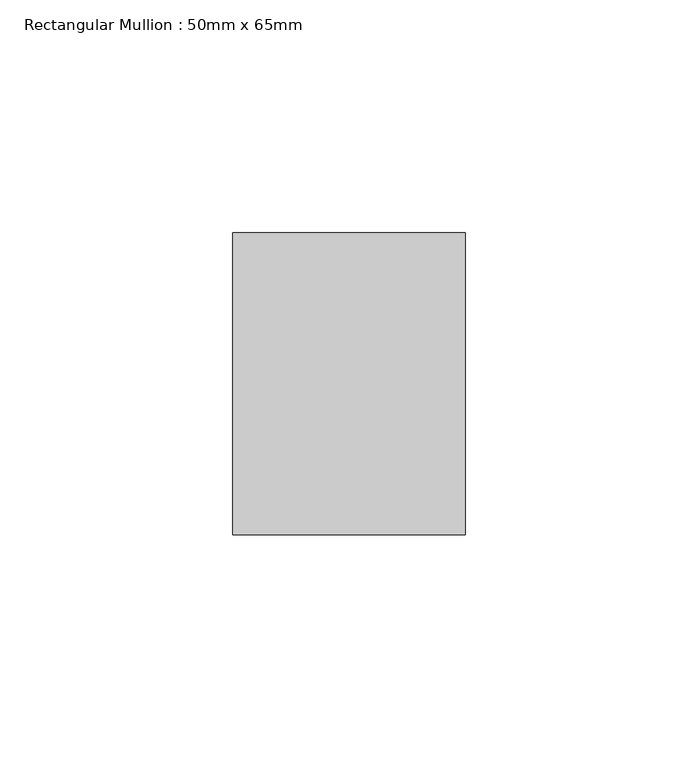
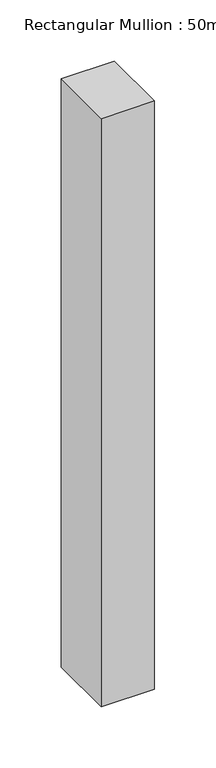
"""IFC4 building model written with IfcOpenShell, lengths in millimetres: member geometry, Rectangular Mullion : 50mm x 65mm."""

from ifc_helpers import new_model, si_unit, frame, origin, place, context, project, spatial, polyline, outline, extrude, source, transform, mapped, element, save


def rectangular_mullion_50mm_x_65mm_6eb802c2(model_context):
    return source(origin(), model_context, "Body", "SweptSolid", [
        extrude(outline(polyline([(25.0, 32.5), (25.0, -32.5), (-25.0, -32.5), (-25.0, 32.5), (25.0, 32.5)])), frame((0.0, 0.0, -585.2035089), z_axis=(0.0, 0.0, 1.0), x_axis=(1.0, 0.0, 0.0)), (0.0, 0.0, 1.0), 585.2035089),
    ])


if __name__ == "__main__":
    model = new_model("IFC4")
    model_context = context("Model", 3, world=origin())
    ifc_project = project(units=[si_unit("LENGTHUNIT", "METRE", prefix="MILLI")], contexts=[model_context])
    site = spatial("IfcSite", under=ifc_project)
    building = spatial("IfcBuilding", under=site)
    placement = place(None, origin())
    rectangular_mullion_50mm_x_65mm_shape = rectangular_mullion_50mm_x_65mm_6eb802c2(model_context)
    element("IfcMember", 1, ObjectType="Rectangular Mullion : 50mm x 65mm", at=placement, inside=building, context=model_context, shape_type="MappedRepresentation", body=[
        mapped(rectangular_mullion_50mm_x_65mm_shape, transform((0.0, 0.0, 0.0), x_axis=(1.0, 0.0, 0.0), y_axis=(0.0, 1.0, 0.0), z_axis=(0.0, 0.0, 1.0))),
    ])
    save(model, "model.ifc")
